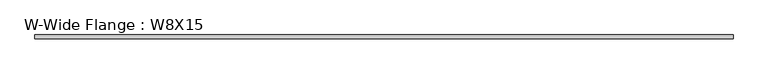
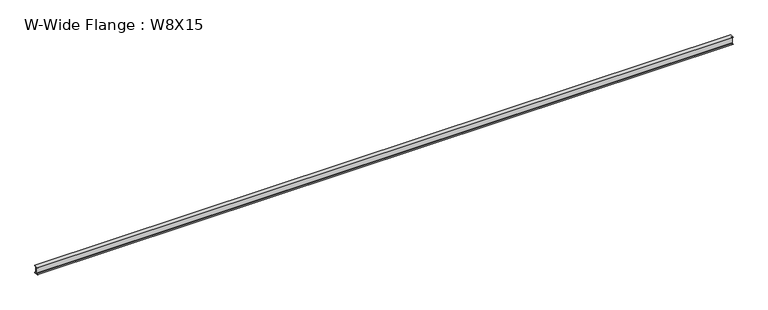
"""IFC4 building model written with IfcOpenShell, lengths in millimetres: beam geometry, W-Wide Flange : W8X15."""

from ifc_helpers import new_model, si_unit, point, frame, frame_2d, origin, place, context, project, spatial, polyline, circle_curve, trimmed, segment, composite_curve, outline, extrude, source, transform, mapped, element, save


def w_wide_flange_w8x15_173d6b39(model_context):
    return source(origin(), model_context, "Body", "SweptSolid", [
        extrude(outline(composite_curve([segment(polyline([(50.927, -94.996), (50.927, -102.997), (-50.927, -102.997), (-50.927, -94.996), (-15.748, -94.996)]), True, "CONTINUOUS"), segment(trimmed(circle_curve(frame_2d((-15.748, -82.3595)), 12.6365), [point((-15.748, -94.996))], [point((-3.1115, -82.3595))], True, "CARTESIAN"), True, "CONTINUOUS"), segment(polyline([(-3.1115, -82.3595), (-3.1115, 82.3595)]), True, "CONTINUOUS"), segment(trimmed(circle_curve(frame_2d((-15.748, 82.3595)), 12.6365), [point((-3.1115, 82.3595))], [point((-15.748, 94.996))], True, "CARTESIAN"), True, "CONTINUOUS"), segment(polyline([(-15.748, 94.996), (-50.927, 94.996), (-50.927, 102.997), (50.927, 102.997), (50.927, 94.996), (15.748, 94.996)]), True, "CONTINUOUS"), segment(trimmed(circle_curve(frame_2d((15.748, 82.3595)), 12.6365), [point((15.748, 94.996))], [point((3.1115, 82.3595))], True, "CARTESIAN"), True, "CONTINUOUS"), segment(polyline([(3.1115, 82.3595), (3.1115, -82.3595)]), True, "CONTINUOUS"), segment(trimmed(circle_curve(frame_2d((15.748, -82.3595)), 12.6365), [point((3.1115, -82.3595))], [point((15.748, -94.996))], True, "CARTESIAN"), True, "CONTINUOUS"), segment(polyline([(15.748, -94.996), (50.927, -94.996)]), True, "CONTINUOUS")], self_intersect=False)), frame((-9234.4875, 0.0, 0.0), z_axis=(1.0, 0.0, 0.0), x_axis=(0.0, 1.0, 0.0)), (0.0, 0.0, 1.0), 18497.55),
    ])


if __name__ == "__main__":
    model = new_model("IFC4")
    model_context = context("Model", 3, world=origin())
    ifc_project = project(units=[si_unit("LENGTHUNIT", "METRE", prefix="MILLI")], contexts=[model_context])
    site = spatial("IfcSite", under=ifc_project)
    building = spatial("IfcBuilding", under=site)
    placement = place(None, origin())
    w_wide_flange_w8x15_shape = w_wide_flange_w8x15_173d6b39(model_context)
    element("IfcBeam", 1, ObjectType="W-Wide Flange : W8X15", at=placement, inside=building, context=model_context, shape_type="MappedRepresentation", body=[
        mapped(w_wide_flange_w8x15_shape, transform((0.0, 0.0, 0.0), x_axis=(1.0, 0.0, 0.0), y_axis=(0.0, 1.0, 0.0), z_axis=(0.0, 0.0, 1.0))),
    ])
    save(model, "model.ifc")
